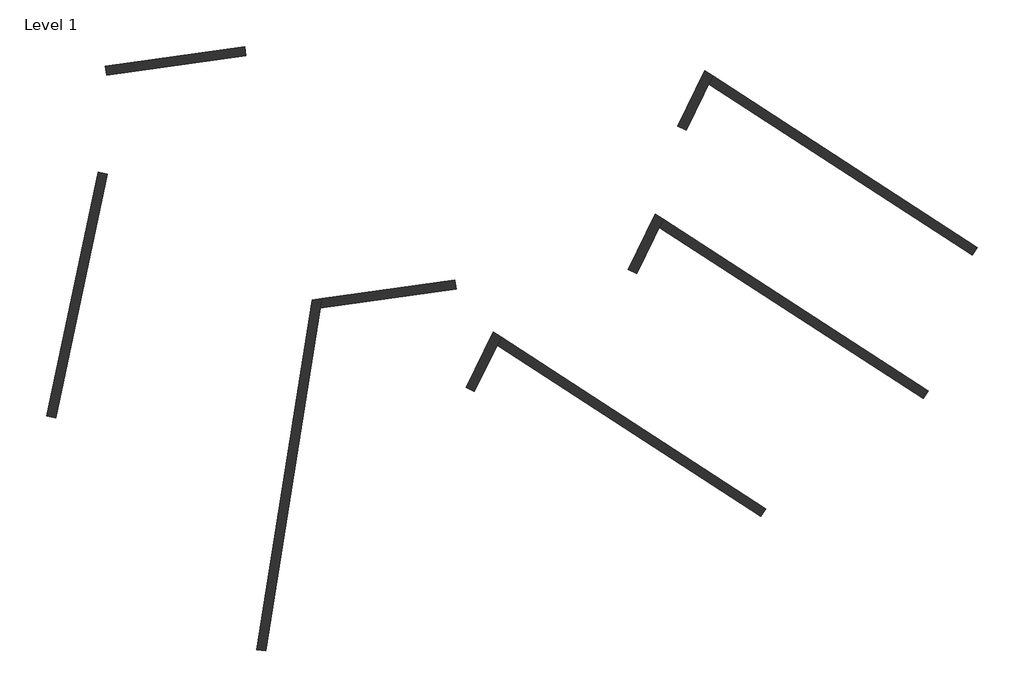
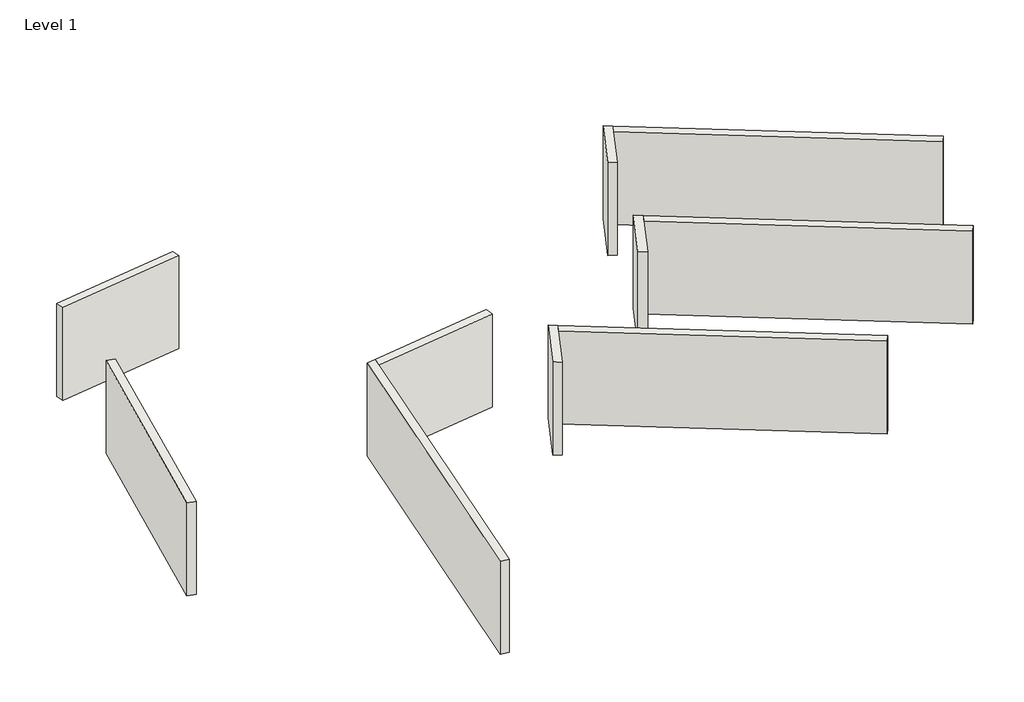
# One storey: 10 walls.
"""IFC4 building model written with IfcOpenShell, lengths in millimetres."""

from ifc_helpers import new_model, si_unit, origin, origin_with_axes, place, context, project, spatial, polyline, outline, extrude, faceted_brep, element, save

model = new_model("IFC4")

# Units and contexts
model_context = context("Model", 3, world=origin())
ifc_project = project(units=[si_unit("LENGTHUNIT", "METRE", prefix="MILLI")], contexts=[model_context])

# Site, building, storey
site = spatial("IfcSite", under=ifc_project)
building = spatial("IfcBuilding", under=site)
storey = spatial("IfcBuildingStorey", under=building, Name="Level 1", Elevation=0.0)

# Walls
placement = place(None, origin())
element("IfcWall", 1, at=placement, inside=storey, context=model_context, shape_type="Brep", body=[
    faceted_brep([(2221.4826525, -241.4249087, 0.0), (3223.9869726, 6088.1382609, 0.0), (3251.7959518, 6263.7172454, 0.0), (3251.7959518, 6263.7172454, 2000.0), (3223.9869726, 6088.1382609, 2000.0), (2221.4826525, -241.4249087, 2000.0), (2053.5756346, -214.8310496, 0.0), (2053.5756346, -214.8310496, 2000.0), (3075.7583753, 6238.9767774, 2000.0), (3075.7583753, 6238.9767774, 0.0)], [[[0, 1, 2, 3, 4, 5]], [[6, 7, 8, 9]], [[2, 1, 0, 6, 9]], [[5, 4, 3, 8, 7]], [[0, 5, 7, 6]], [[3, 2, 9, 8]]]),
])
element("IfcWall", 2, at=placement, inside=storey, context=model_context, shape_type="SweptSolid", body=[
    extrude(outline(polyline([(5731.3008425, 6440.518245), (3223.9869726, 6088.1382609), (3251.7959518, 6263.7172454), (5707.6414154, 6608.8638167), (5731.3008425, 6440.518245)])), origin_with_axes(), (0.0, 0.0, 1.0), 2000.0),
])
element("IfcWall", 3, at=placement, inside=storey, context=model_context, shape_type="Brep", body=[
    faceted_brep([(6067.7682558, 4552.7630683, 0.0), (6483.4938867, 5405.1269264, 0.0), (6558.576637, 5559.0693779, 0.0), (6558.576637, 5559.0693779, 2000.0), (6483.4938867, 5405.1269264, 2000.0), (6067.7682558, 4552.7630683, 2000.0), (5914.9732679, 4627.2861632, 0.0), (5914.9732679, 4627.2861632, 2000.0), (6414.9319347, 5652.3533384, 2000.0), (6414.9319347, 5652.3533384, 0.0)], [[[0, 1, 2, 3, 4, 5]], [[6, 7, 8, 9]], [[2, 1, 0, 6, 9]], [[5, 4, 3, 8, 7]], [[0, 5, 7, 6]], [[3, 2, 9, 8]]]),
])
element("IfcWall", 4, at=placement, inside=storey, context=model_context, shape_type="SweptSolid", body=[
    extrude(outline(polyline([(11351.0749436, 2244.0828275), (6483.4938867, 5405.1269264), (6558.576637, 5559.0693779), (11443.6635795, 2386.6568241), (11351.0749436, 2244.0828275)])), origin_with_axes(), (0.0, 0.0, 1.0), 2000.0),
])
element("IfcWall", 5, at=placement, inside=storey, context=model_context, shape_type="Brep", body=[
    faceted_brep([(9061.1311349, 6727.5685018, 0.0), (9476.8567658, 7579.9323598, 0.0), (9551.9395162, 7733.8748114, 0.0), (9551.9395162, 7733.8748114, 2000.0), (9476.8567658, 7579.9323598, 2000.0), (9061.1311349, 6727.5685018, 2000.0), (8908.3361471, 6802.0915967, 0.0), (8908.3361471, 6802.0915967, 2000.0), (9408.2948138, 7827.1587719, 2000.0), (9408.2948138, 7827.1587719, 0.0)], [[[0, 1, 2, 3, 4, 5]], [[6, 7, 8, 9]], [[2, 1, 0, 6, 9]], [[5, 4, 3, 8, 7]], [[0, 5, 7, 6]], [[3, 2, 9, 8]]]),
])
element("IfcWall", 6, at=placement, inside=storey, context=model_context, shape_type="SweptSolid", body=[
    extrude(outline(polyline([(14344.4378227, 4418.888261), (9476.8567658, 7579.9323598), (9551.9395162, 7733.8748114), (14437.0264587, 4561.4622575), (14344.4378227, 4418.888261)])), origin_with_axes(), (0.0, 0.0, 1.0), 2000.0),
])
element("IfcWall", 7, at=placement, inside=storey, context=model_context, shape_type="Brep", body=[
    faceted_brep([(9972.7219674, 9375.0205135, 0.0), (10388.4475983, 10227.3843715, 0.0), (10463.5303487, 10381.3268231, 0.0), (10463.5303487, 10381.3268231, 2000.0), (10388.4475983, 10227.3843715, 2000.0), (9972.7219674, 9375.0205135, 2000.0), (9819.9269795, 9449.5436084, 0.0), (9819.9269795, 9449.5436084, 2000.0), (10319.8856463, 10474.6107835, 2000.0), (10319.8856463, 10474.6107835, 0.0)], [[[0, 1, 2, 3, 4, 5]], [[6, 7, 8, 9]], [[2, 1, 0, 6, 9]], [[5, 4, 3, 8, 7]], [[0, 5, 7, 6]], [[3, 2, 9, 8]]]),
])
element("IfcWall", 8, at=placement, inside=storey, context=model_context, shape_type="SweptSolid", body=[
    extrude(outline(polyline([(15256.0286552, 7066.3402727), (10388.4475983, 10227.3843715), (10463.5303487, 10381.3268231), (15348.6172912, 7208.9142692), (15256.0286552, 7066.3402727)])), origin_with_axes(), (0.0, 0.0, 1.0), 2000.0),
])
element("IfcWall", 9, at=placement, inside=storey, context=model_context, shape_type="SweptSolid", body=[
    extrude(outline(polyline([(-703.8920495, 8563.9184783), (-1660.2858272, 4064.4395149), (-1826.5709194, 4099.7845023), (-870.1771416, 8599.2634657), (-703.8920495, 8563.9184783)])), origin_with_axes(), (0.0, 0.0, 1.0), 2000.0),
])
element("IfcWall", 10, at=placement, inside=storey, context=model_context, shape_type="SweptSolid", body=[
    extrude(outline(polyline([(1850.3433257, 10750.7582328), (-719.2551293, 10389.6247211), (-742.9145565, 10557.9702928), (1826.6838985, 10919.1038045), (1850.3433257, 10750.7582328)])), origin_with_axes(), (0.0, 0.0, 1.0), 2000.0),
])

save(model, "model.ifc")
